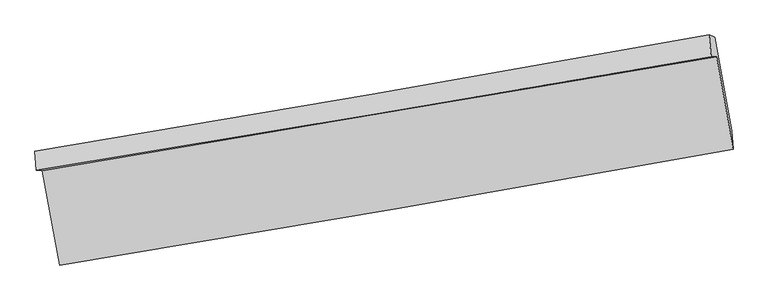
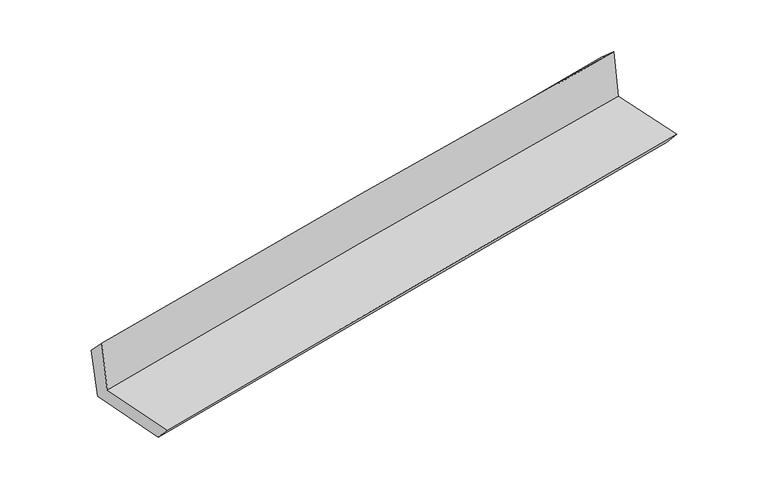
"""IFC4 building model written with IfcOpenShell, lengths in millimetres: proxy geometry."""

from ifc_helpers import new_model, si_unit, frame, origin, place, context, project, spatial, source, transform, mapped, element, save
from ifc_brep_helpers import plane_surface, spline_curve, spline_surface, advanced_brep


def generic_models_689b2efc(model_context):
    return source(origin(), model_context, "Body", "AdvancedBrep", [
        advanced_brep(
        [(-2364.7363283, -1895.6514785, 1665.1756518), (-2246.3331904, -2547.8681171, 1670.1863925), (2423.4292988, -1744.0013554, 2127.0124486), (2310.1319064, -1105.5400127, 2112.6097129), (-2405.9486709, -1891.65363, 2085.081532), (2271.1603562, -1104.4424497, 2514.8923715), (-2416.8670536, -1760.3832175, 1950.1425453), (2256.8566522, -952.4899162, 2380.1087811), (-2374.3276605, -1777.3456184, 1540.9836749), (2297.6590299, -968.7892421, 1987.1618885), (-2254.7110911, -2432.8235542, 1539.5743984), (2414.1552387, -1616.4981253, 1985.6110746)],
        [
            (0, 1),
            (1, 2, spline_curve(3, [(-2246.3331904, -2547.8681171, 1670.1863925), (-1467.764148023, -2420.641280099, 1756.11379166), (-689.322249754, -2290.037065028, 1837.147224656), (867.265233116, -2022.081113131, 1989.42204838), (1645.410831298, -1884.729741082, 2060.663967026), (2423.4292988, -1744.0013554, 2127.0124486)], [4, 2, 4], [0.0, 7.810901436005437, 15.621381121055698])),
            (2, 3),
            (3, 0, spline_curve(3, [(2310.1319064, -1105.5400127, 2112.6097129), (1530.076882615, -1235.535285103, 2044.346117328), (750.487523318, -1366.373743214, 1972.929239443), (-807.801938706, -1629.744140742, 1823.784893111), (-1586.5019906, -1762.276171447, 1746.057083919), (-2364.7363283, -1895.6514785, 1665.1756518)], [4, 2, 4], [0.0, 7.810479685050261, 15.621381121055698])),
            (4, 0),
            (3, 5),
            (5, 4, spline_curve(3, [(2271.1603562, -1104.4424497, 2514.8923715), (1491.08575227, -1238.300510109, 2454.067379212), (711.299879681, -1370.828736905, 2387.838425764), (-847.736494035, -1633.232607357, 2244.568729796), (-1626.986963806, -1763.108107323, 2167.52740314), (-2405.9486709, -1891.65363, 2085.081532)], [4, 2, 4], [0.0, 7.812052430598869, 15.624526697078164])),
            (6, 4),
            (5, 7),
            (7, 6, spline_curve(3, [(2256.8566522, -952.4899162, 2380.1087811), (1479.453216762, -1092.605601582, 2302.582600257), (701.285059419, -1229.986142547, 2227.989878423), (-856.622759903, -1499.284204847, 2084.667482914), (-1636.362504577, -1631.201431282, 2015.938126232), (-2416.8670536, -1760.3832175, 1950.1425453)], [4, 2, 4], [0.0, 7.8121596307982255, 15.624741103265482])),
            (8, 6),
            (7, 9),
            (9, 8, spline_curve(3, [(2297.6590299, -968.7892421, 1987.1618885), (1519.983109877, -1108.791360062, 1912.339123293), (741.823449928, -1246.170368659, 1837.747220404), (-815.505394581, -1515.689444301, 1689.021124442), (-1594.674631426, -1647.829227605, 1614.886955983), (-2374.3276605, -1777.3456184, 1540.9836749)], [4, 2, 4], [0.0, 7.812242792392488, 15.624907430944575])),
            (10, 8),
            (9, 11),
            (11, 10, spline_curve(3, [(2414.1552387, -1616.4981253, 1985.6110746), (1635.914495409, -1751.826450434, 1910.825136222), (857.732432406, -1887.515885823, 1836.263441686), (-698.556350779, -2159.624323046, 1687.584525234), (-1476.663064052, -2296.043364057, 1613.467328043), (-2254.7110911, -2432.8235542, 1539.5743984)], [4, 2, 4], [0.0, 7.810671433171702, 15.621764627652611])),
            (1, 10),
            (11, 2),
        ],
        [
            spline_surface(3, 3, [[(-2364.7363283, -1895.6514785, 1665.1756518), (-1586.501990692, -1762.276171343, 1746.057083805), (-807.801938629, -1629.744140753, 1823.784893036), (750.487523241, -1366.373743204, 1972.929239518), (1530.076882721, -1235.535285218, 2044.34611732), (2310.1319064, -1105.5400127, 2112.6097129)], [(-2325.268615645, -2113.057024705, 1666.845898704), (-1546.922709739, -1981.73120761, 1749.409319724), (-768.308708958, -1849.841782199, 1828.239003595), (789.413426511, -1584.942866508, 1978.426842431), (1568.52153221, -1451.933437126, 2049.785400592), (2347.897703871, -1318.360460255, 2117.4106248)], [(-2285.800903055, -2330.462570895, 1668.516145596), (-1507.343428851, -2201.186243864, 1752.761555633), (-728.815479323, -2069.939423621, 1832.693114188), (828.339329744, -1803.511989787, 1983.924445377), (1606.966181687, -1668.33158907, 2055.224683864), (2385.663501329, -1531.180907845, 2122.2115367)], [(-2246.3331904, -2547.8681171, 1670.1863925), (-1467.764147899, -2420.641280131, 1756.113791552), (-689.322249651, -2290.037065068, 1837.147224747), (867.265233013, -2022.081113091, 1989.42204829), (1645.410831177, -1884.729740979, 2060.663967136), (2423.4292988, -1744.0013554, 2127.0124486)]], [4, 4], [4, 2, 4], [0.0, 2.193564028712855], [0.0, 7.810901436005437, 15.621381121055698]),
            spline_surface(3, 3, [[(-2405.9486709, -1891.65363, 2085.081532), (-1626.986963761, -1763.108107382, 2167.527403056), (-847.736493946, -1633.23260732, 2244.568729681), (711.299879593, -1370.828736942, 2387.838425878), (1491.085752166, -1238.300510218, 2454.067379114), (2271.1603562, -1104.4424497, 2514.8923715)], [(-2392.211223377, -1892.986246187, 1945.112905255), (-1613.491972748, -1762.830795389, 2027.037296627), (-834.424975508, -1632.069785131, 2104.307450818), (724.362427475, -1369.34373903, 2249.535363777), (1504.082795697, -1237.378768549, 2317.493625185), (2284.150872946, -1104.808304032, 2380.798151969)], [(-2378.473775823, -1894.318862313, 1805.144278545), (-1599.996981705, -1762.553483336, 1886.547190234), (-821.113457068, -1630.906962941, 1964.046171899), (737.424975359, -1367.858741116, 2111.232301619), (1517.079839189, -1236.457026886, 2180.919871249), (2297.141389654, -1105.174158368, 2246.703932431)], [(-2364.7363283, -1895.6514785, 1665.1756518), (-1586.501990692, -1762.276171343, 1746.057083805), (-807.801938629, -1629.744140753, 1823.784893036), (750.487523241, -1366.373743204, 1972.929239518), (1530.076882721, -1235.535285218, 2044.34611732), (2310.1319064, -1105.5400127, 2112.6097129)]], [4, 4], [4, 2, 4], [0.0, 1.3770803086185823], [0.0, 7.8124742664792945, 15.624526697078164]),
            spline_surface(3, 3, [[(-2416.8670536, -1760.3832175, 1950.1425453), (-1636.362504546, -1631.201431287, 2015.938126264), (-856.622759904, -1499.284204949, 2084.667482959), (701.28505942, -1229.986142445, 2227.989878378), (1479.453216752, -1092.605601705, 2302.582600267), (2256.8566522, -952.4899162, 2380.1087811)], [(-2413.227592714, -1804.140021649, 1995.122207523), (-1633.237324298, -1675.170323302, 2066.467885184), (-853.660671252, -1543.933672417, 2137.967898508), (704.62333281, -1276.933673955, 2281.27272752), (1483.330728552, -1141.170571214, 2353.077526518), (2261.624553529, -1003.140760704, 2425.036644536)], [(-2409.588131786, -1847.896825851, 2040.101869777), (-1630.112144009, -1719.139215368, 2116.997644135), (-850.698582598, -1588.583139851, 2191.268314132), (707.961606202, -1323.881205432, 2334.555576736), (1487.208240365, -1189.735540709, 2403.572452863), (2266.392454871, -1053.791605196, 2469.964508064)], [(-2405.9486709, -1891.65363, 2085.081532), (-1626.986963761, -1763.108107382, 2167.527403056), (-847.736493946, -1633.23260732, 2244.568729681), (711.299879593, -1370.828736942, 2387.838425878), (1491.085752166, -1238.300510218, 2454.067379114), (2271.1603562, -1104.4424497, 2514.8923715)]], [4, 4], [4, 2, 4], [0.0, 0.6923020534500943], [0.0, 7.812581472467256, 15.624741103265482]),
            spline_surface(3, 3, [[(-2374.3276605, -1777.3456184, 1540.9836749), (-1594.674631543, -1647.829227611, 1614.886955939), (-815.505394604, -1515.689444175, 1689.021124352), (741.823449951, -1246.170368785, 1837.747220494), (1519.983109815, -1108.791360114, 1912.339123263), (2297.6590299, -968.7892421, 1987.1618885)], [(-2388.507458185, -1771.691484776, 1677.369965044), (-1608.570589196, -1642.286628846, 1748.570679392), (-829.21118304, -1510.221031077, 1820.903243908), (728.310653104, -1240.775626649, 1967.828106475), (1506.473145457, -1103.396107306, 2042.420282275), (2284.05823733, -963.356133461, 2118.144186043)], [(-2402.687255915, -1766.037351124, 1813.756255156), (-1622.466546894, -1636.744030052, 1882.254402811), (-842.916971468, -1504.752618047, 1952.785363404), (714.797856266, -1235.380884581, 2097.908992396), (1492.96318111, -1098.000854514, 2172.501441256), (2270.45744477, -957.923024839, 2249.126483557)], [(-2416.8670536, -1760.3832175, 1950.1425453), (-1636.362504546, -1631.201431287, 2015.938126264), (-856.622759904, -1499.284204949, 2084.667482959), (701.28505942, -1229.986142445, 2227.989878378), (1479.453216752, -1092.605601705, 2302.582600267), (2256.8566522, -952.4899162, 2380.1087811)]], [4, 4], [4, 2, 4], [0.0, 1.2972307216007208], [0.0, 7.812664638552087, 15.624907430944575]),
            spline_surface(3, 3, [[(-2254.7110911, -2432.8235542, 1539.5743984), (-1476.663064167, -2296.043364068, 1613.467327955), (-698.556350656, -2159.624323089, 1687.584525316), (857.732432282, -1887.51588578, 1836.263441603), (1635.91449537, -1751.826450476, 1910.825136304), (2414.1552387, -1616.4981253, 1985.6110746)], [(-2294.583280912, -2214.330908929, 1540.044157228), (-1516.000253304, -2079.971985245, 1613.940537278), (-737.539365314, -1944.979363475, 1688.063391647), (819.09610483, -1673.734046806, 1836.758034552), (1597.270700171, -1537.481420362, 1911.329798625), (2375.323169086, -1400.59516424, 1986.128012568)], [(-2334.455470688, -1995.838263671, 1540.513916072), (-1555.337442407, -1863.900606434, 1614.413746616), (-776.522379946, -1730.334403789, 1688.542258022), (780.459777403, -1459.95220776, 1837.252627545), (1558.626905013, -1323.136390227, 1911.834460943), (2336.491099514, -1184.69220316, 1986.644950532)], [(-2374.3276605, -1777.3456184, 1540.9836749), (-1594.674631543, -1647.829227611, 1614.886955939), (-815.505394604, -1515.689444175, 1689.021124352), (741.823449951, -1246.170368785, 1837.747220494), (1519.983109815, -1108.791360114, 1912.339123263), (2297.6590299, -968.7892421, 1987.1618885)]], [4, 4], [4, 2, 4], [0.0, 2.1427284852452866], [0.0, 7.811093194480909, 15.621764627652611]),
            spline_surface(3, 3, [[(-2246.3331904, -2547.8681171, 1670.1863925), (-1467.764147899, -2420.641280131, 1756.113791552), (-689.322249651, -2290.037065068, 1837.147224747), (867.265233013, -2022.081113091, 1989.42204829), (1645.410831177, -1884.729740979, 2060.663967136), (2423.4292988, -1744.0013554, 2127.0124486)], [(-2249.125823968, -2509.519929454, 1626.649061146), (-1470.730453323, -2379.108641431, 1708.564970366), (-692.400283319, -2246.566151053, 1787.292991615), (864.08763277, -1977.2260373, 1938.369179406), (1642.245385912, -1840.428644152, 2010.71769021), (2420.337945438, -1701.500278708, 2079.878657285)], [(-2251.918457532, -2471.171741846, 1583.111729754), (-1473.696758743, -2337.576002769, 1661.016149142), (-695.478316988, -2203.095237103, 1737.438758448), (860.910032526, -1932.370961572, 1887.316310487), (1639.079940634, -1796.127547302, 1960.77141323), (2417.246592062, -1658.999201992, 2032.744865915)], [(-2254.7110911, -2432.8235542, 1539.5743984), (-1476.663064167, -2296.043364068, 1613.467327955), (-698.556350656, -2159.624323089, 1687.584525316), (857.732432282, -1887.51588578, 1836.263441603), (1635.91449537, -1751.826450476, 1910.825136304), (2414.1552387, -1616.4981253, 1985.6110746)]], [4, 4], [4, 2, 4], [0.0, 0.660674878527576], [0.0, 7.809518026611372, 15.618614376964995]),
            plane_surface(frame((2328.898747, -1248.6268502, 2184.5660462), z_axis=(0.9798477057761895, 0.17600820603518424, 0.09444355400668797), x_axis=(-0.10319378114647342, 0.04122281998819647, 0.9938066827330729))),
            plane_surface(frame((-2343.8206658, -2050.9542693, 1741.8573658), z_axis=(-0.9793942501420584, -0.17852425482699064, -0.09442453720904834), x_axis=(-0.17861498412135718, 0.98389000960601, -0.007558865312531694))),
        ],
        [
            (0, [[1, 2, 3, 4]]),
            (1, [[5, -4, 6, 7]]),
            (2, [[8, -7, 9, 10]]),
            (3, [[11, -10, 12, 13]]),
            (4, [[14, -13, 15, 16]]),
            (5, [[17, -16, 18, -2]]),
            (6, [[-12, -9, -6, -3, -18, -15]]),
            (7, [[-1, -5, -8, -11, -14, -17]]),
        ],
    ),
    ])


if __name__ == "__main__":
    model = new_model("IFC4")
    model_context = context("Model", 3, world=origin())
    ifc_project = project(units=[si_unit("LENGTHUNIT", "METRE", prefix="MILLI")], contexts=[model_context])
    site = spatial("IfcSite", under=ifc_project)
    building = spatial("IfcBuilding", under=site)
    placement = place(None, origin())
    generic_models_shape = generic_models_689b2efc(model_context)
    element("IfcBuildingElementProxy", 1, Name="Generic Models", at=placement, inside=building, context=model_context, shape_type="MappedRepresentation", body=[
        mapped(generic_models_shape, transform((0.0, 0.0, 0.0), x_axis=(1.0, 0.0, 0.0), y_axis=(0.0, 1.0, 0.0), z_axis=(0.0, 0.0, 1.0))),
    ])
    save(model, "model.ifc")
